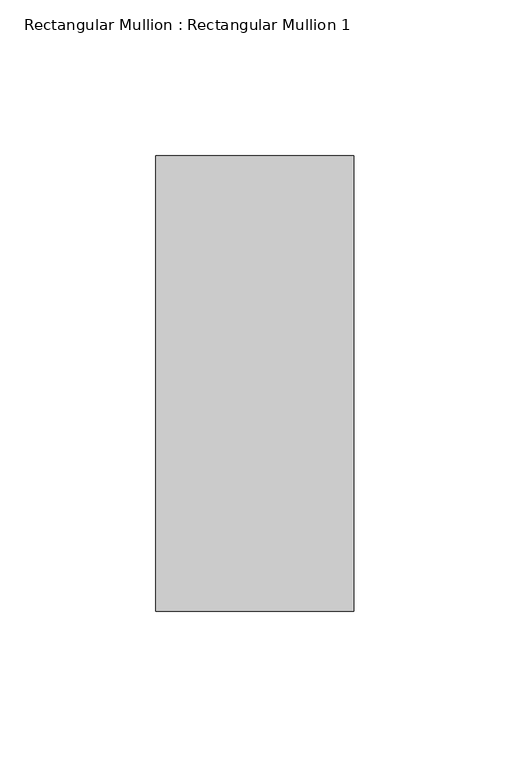
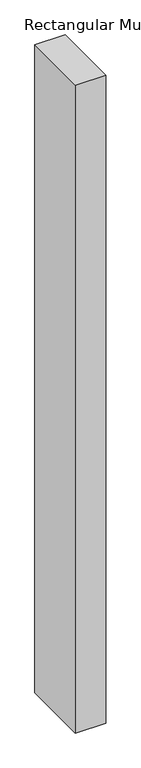
"""IFC4 building model written with IfcOpenShell, lengths in millimetres: member geometry, Rectangular Mullion : Rectangular Mullion 1."""

from ifc_helpers import new_model, si_unit, frame, origin, place, context, project, spatial, polyline, outline, extrude, source, transform, mapped, element, save


def rectangular_mullion_rectangular_mullion_1_2fbdc745(model_context):
    return source(origin(), model_context, "Body", "SweptSolid", [
        extrude(outline(polyline([(0.0, 73.025), (0.0, -73.025), (-63.5, -73.025), (-63.5, 73.025), (0.0, 73.025)])), frame((0.0, 0.0, -1428.7500002), z_axis=(0.0, 0.0, 1.0), x_axis=(1.0, 0.0, 0.0)), (0.0, 0.0, 1.0), 1428.7500002),
    ])


if __name__ == "__main__":
    model = new_model("IFC4")
    model_context = context("Model", 3, world=origin())
    ifc_project = project(units=[si_unit("LENGTHUNIT", "METRE", prefix="MILLI")], contexts=[model_context])
    site = spatial("IfcSite", under=ifc_project)
    building = spatial("IfcBuilding", under=site)
    placement = place(None, origin())
    rectangular_mullion_rectangular_mullion_1_shape = rectangular_mullion_rectangular_mullion_1_2fbdc745(model_context)
    element("IfcMember", 1, ObjectType="Rectangular Mullion : Rectangular Mullion 1", at=placement, inside=building, context=model_context, shape_type="MappedRepresentation", body=[
        mapped(rectangular_mullion_rectangular_mullion_1_shape, transform((0.0, 0.0, 0.0), x_axis=(1.0, 0.0, 0.0), y_axis=(0.0, 1.0, 0.0), z_axis=(0.0, 0.0, 1.0))),
    ])
    save(model, "model.ifc")
